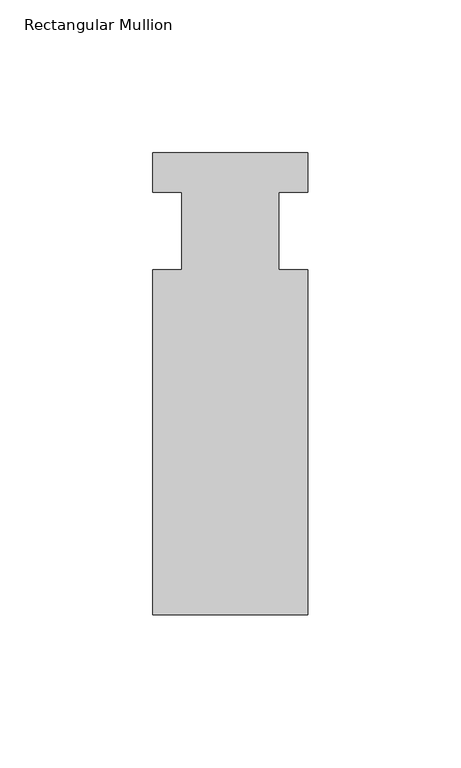
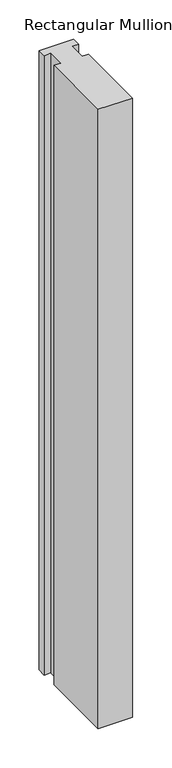
"""IFC4 building model written with IfcOpenShell, lengths in millimetres: member geometry, Rectangular Mullion."""

from ifc_helpers import new_model, si_unit, frame, origin, place, context, project, spatial, polyline, outline, extrude, source, transform, mapped, element, save


def rectangular_mullion_dcab77c3(model_context):
    return source(origin(), model_context, "Body", "SweptSolid", [
        extrude(outline(polyline([(-25.4, 25.5984375), (25.4, 25.5984375), (25.4, 12.7), (15.875, 12.7), (15.875, -12.7), (25.4, -12.7), (25.4, -125.6109375), (-25.4, -125.6109375), (-25.4, -12.7), (-15.875, -12.7), (-15.875, 12.7), (-25.4, 12.7), (-25.4, 25.5984375)])), frame((0.0, 0.0, -965.2), z_axis=(0.0, 0.0, 1.0), x_axis=(1.0, 0.0, 0.0)), (0.0, 0.0, 1.0), 965.2),
    ])


if __name__ == "__main__":
    model = new_model("IFC4")
    model_context = context("Model", 3, world=origin())
    ifc_project = project(units=[si_unit("LENGTHUNIT", "METRE", prefix="MILLI")], contexts=[model_context])
    site = spatial("IfcSite", under=ifc_project)
    building = spatial("IfcBuilding", under=site)
    placement = place(None, origin())
    rectangular_mullion_shape = rectangular_mullion_dcab77c3(model_context)
    element("IfcMember", 1, ObjectType="Rectangular Mullion", at=placement, inside=building, context=model_context, shape_type="MappedRepresentation", body=[
        mapped(rectangular_mullion_shape, transform((0.0, 0.0, 0.0), x_axis=(1.0, 0.0, 0.0), y_axis=(0.0, 1.0, 0.0), z_axis=(0.0, 0.0, 1.0))),
    ])
    save(model, "model.ifc")
